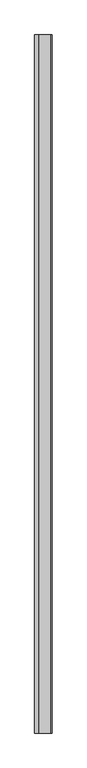
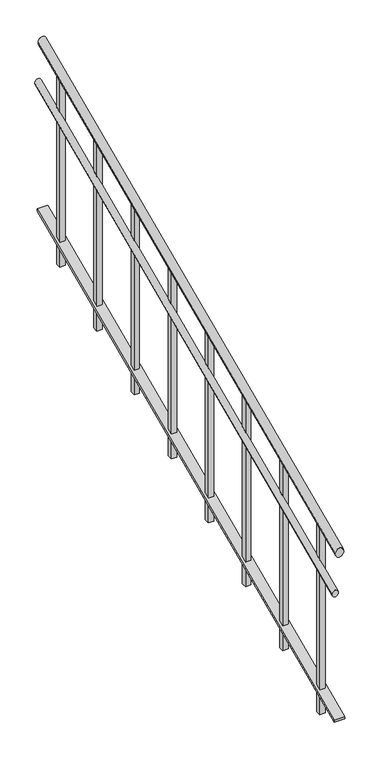
"""IFC4 building model written with IfcOpenShell, lengths in millimetres: railing geometry."""

import ifcopenshell
import ifcopenshell.guid

model = None  # the IFC model being written
_history = None  # IfcOwnerHistory: only IFC2X3 demands one
_inside = {}  # id of a spatial element -> (the spatial element, [elements in it])
_under = {}  # id of a project, library or spatial element -> (it, [spatial elements below it])
_declared = {}  # id of a project -> (the project, [libraries it declares])
_typed = {}  # id of a type object -> (the type object, [elements of that type])
_made_of = {}  # id of a material, layer set ... -> (it, [elements and type objects made of it])


def new_model(schema):
    """Start an empty IFC model of exactly this schema.

    Asked for "IFC4X3", IfcOpenShell would pick the latest addendum, in which some entities
    have other attributes; the version numbers below select the first issue.
    IFC2X3 requires an IfcOwnerHistory on every rooted entity: one is made here for all.
    """
    global model, _history
    if schema == "IFC4X3":
        model = ifcopenshell.file(schema_version=(4, 3, 0, 0))
    else:
        model = ifcopenshell.file(schema=schema)
    _inside.clear()
    _under.clear()
    _declared.clear()
    _typed.clear()
    _made_of.clear()
    _history = None
    if model.schema == "IFC2X3":
        org = make("IfcOrganization", Name="unknown")
        user = make(
            "IfcPersonAndOrganization",
            ThePerson=make("IfcPerson", FamilyName="unknown"),
            TheOrganization=org,
        )
        app = make(
            "IfcApplication",
            ApplicationDeveloper=org,
            Version="unknown",
            ApplicationFullName="unknown",
            ApplicationIdentifier="unknown",
        )
        _history = make(
            "IfcOwnerHistory",
            OwningUser=user,
            OwningApplication=app,
            ChangeAction="ADDED",
            CreationDate=0,
        )
    return model


def make(cls, **values):
    """One entity of the class cls with the attributes given. An attribute that is None is left unset."""
    return model.create_entity(
        cls, **{name: value for name, value in values.items() if value is not None}
    )


def rooted(cls, **values):
    """An entity with a GlobalId (a new one), such as an element, a storey or a relation."""
    return make(cls, GlobalId=ifcopenshell.guid.new(), OwnerHistory=_history, **values)


def si_unit(unit_type, name, prefix=None):
    """IfcSIUnit, for example si_unit("LENGTHUNIT", "METRE", prefix="MILLI")."""
    return make("IfcSIUnit", UnitType=unit_type, Prefix=prefix, Name=name)


def assignment(units):
    """IfcUnitAssignment: the units of a project."""
    return None if units is None else make("IfcUnitAssignment", Units=units)


def point(xyz):
    """IfcCartesianPoint."""
    return None if xyz is None else make("IfcCartesianPoint", Coordinates=xyz)


def direction(xyz):
    """IfcDirection."""
    return None if xyz is None else make("IfcDirection", DirectionRatios=xyz)


def frame(location, z_axis=None, x_axis=None):
    """IfcAxis2Placement3D, a coordinate frame: its origin and axes. An axis left out is left unset."""
    return make(
        "IfcAxis2Placement3D",
        Location=point(location),
        Axis=direction(z_axis),
        RefDirection=direction(x_axis),
    )


def origin():
    """The frame at (0, 0, 0) with its axes left unset."""
    return frame((0.0, 0.0, 0.0))


def place(relative_to, where):
    """IfcLocalPlacement: puts the frame where relative to a parent placement (None: the world)."""
    return make(
        "IfcLocalPlacement", PlacementRelTo=relative_to, RelativePlacement=where
    )


def context(
    kind, dimensions, precision=None, world=None, true_north=None, identifier=None
):
    """IfcGeometricRepresentationContext, for example the 3D "Model" context."""
    return make(
        "IfcGeometricRepresentationContext",
        ContextIdentifier=identifier,
        ContextType=kind,
        CoordinateSpaceDimension=dimensions,
        Precision=precision,
        WorldCoordinateSystem=world,
        TrueNorth=true_north,
    )


def project(units=None, contexts=None):
    """IfcProject with its units and contexts."""
    return rooted(
        "IfcProject",
        Name="project",
        RepresentationContexts=contexts,
        UnitsInContext=assignment(units),
    )


def spatial(cls, under=None, at=None, **own):
    """A site, building, storey or space (cls), placed at a placement, below another one or the project."""
    s = rooted(cls, ObjectPlacement=at, **own)
    if under is not None:
        _under.setdefault(under.id(), (under, []))[1].append(s)
    return s


def polyline(points):
    """IfcPolyline through the points."""
    return make("IfcPolyline", Points=[point(p) for p in points])


def ellipse_curve(where, semi_axis1, semi_axis2):
    """IfcEllipse in the frame where."""
    return make(
        "IfcEllipse", Position=where, SemiAxis1=semi_axis1, SemiAxis2=semi_axis2
    )


def outline(outer, holes=None, kind="AREA"):
    """IfcArbitraryClosedProfileDef: a profile drawn as a closed curve; with holes, ...WithVoids."""
    if holes is None:
        return make("IfcArbitraryClosedProfileDef", ProfileType=kind, OuterCurve=outer)
    return make(
        "IfcArbitraryProfileDefWithVoids",
        ProfileType=kind,
        OuterCurve=outer,
        InnerCurves=holes,
    )


def extrude(swept, where, along, depth):
    """IfcExtrudedAreaSolid: the profile swept, set in the frame where, extruded along a direction by depth."""
    return make(
        "IfcExtrudedAreaSolid",
        SweptArea=swept,
        Position=where,
        ExtrudedDirection=direction(along),
        Depth=depth,
    )


def faces_of(points, faces, orient=None, outer=None):
    """IfcFace entities. A face is a list of loops; a loop is a list of indices into points, from 0.

    orient and outer hold one flag for each loop. By default every Orientation is true, the
    first loop of a face is its IfcFaceOuterBound and the others are IfcFaceBound.
    """
    made = []
    for i, loops in enumerate(faces):
        bounds = []
        for j, loop in enumerate(loops):
            is_outer = j == 0 if outer is None else outer[i][j]
            bounds.append(
                make(
                    "IfcFaceOuterBound" if is_outer else "IfcFaceBound",
                    Bound=make("IfcPolyLoop", Polygon=[points[k] for k in loop]),
                    Orientation=True if orient is None else orient[i][j],
                )
            )
        made.append(make("IfcFace", Bounds=bounds))
    return made


def faceted_brep(points, faces, orient=None, outer=None, voids=None):
    """IfcFacetedBrep: a solid bounded by flat faces; with voids (closed shells), ...WithVoids."""
    shared = [point(p) for p in points]
    hull = make("IfcClosedShell", CfsFaces=faces_of(shared, faces, orient, outer))
    if voids is None:
        return make("IfcFacetedBrep", Outer=hull)
    return make(
        "IfcFacetedBrepWithVoids",
        Outer=hull,
        Voids=[
            make(cls, CfsFaces=faces_of(shared, fs, o, b)) for cls, fs, o, b in voids
        ],
    )


def shape(context_of_items, identifier, shape_type, items):
    """IfcShapeRepresentation: the items that make up one representation, for example the "Body"."""
    return make(
        "IfcShapeRepresentation",
        ContextOfItems=context_of_items,
        RepresentationIdentifier=identifier,
        RepresentationType=shape_type,
        Items=items,
    )


def source(mapping_origin, context_of_items, identifier, shape_type, items):
    """IfcRepresentationMap: a shape defined once, which mapped items show again and again."""
    return make(
        "IfcRepresentationMap",
        MappingOrigin=mapping_origin,
        MappedRepresentation=shape(context_of_items, identifier, shape_type, items),
    )


def transform(
    local_origin,
    x_axis=None,
    y_axis=None,
    z_axis=None,
    scale=None,
    scale2=None,
    scale3=None,
    uniform=True,
):
    """IfcCartesianTransformationOperator3D, or its non-uniform kind. x_axis, y_axis, z_axis: its Axis1, 2, 3."""
    if uniform:
        return make(
            "IfcCartesianTransformationOperator3D",
            Axis1=direction(x_axis),
            Axis2=direction(y_axis),
            LocalOrigin=point(local_origin),
            Scale=scale,
            Axis3=direction(z_axis),
        )
    return make(
        "IfcCartesianTransformationOperator3DnonUniform",
        Axis1=direction(x_axis),
        Axis2=direction(y_axis),
        LocalOrigin=point(local_origin),
        Scale=scale,
        Axis3=direction(z_axis),
        Scale2=scale2,
        Scale3=scale3,
    )


def mapped(mapping_source, mapping_target):
    """IfcMappedItem: shows the shape of a source again, moved by a transform."""
    return make(
        "IfcMappedItem", MappingSource=mapping_source, MappingTarget=mapping_target
    )


def made_of(thing, what):
    """Note that an element or type object is made of a material, layer set ...; save() writes the relation."""
    if what is not None:
        _made_of.setdefault(what.id(), (what, []))[1].append(thing)
    return thing


def element(
    cls,
    number,
    at=None,
    inside=None,
    cuts=None,
    type_object=None,
    material=None,
    context=None,
    identifier="Body",
    shape_type=None,
    held_by="IfcProductDefinitionShape",
    body=None,
    shapes=None,
    **own,
):
    """One element of the class cls, such as IfcWall. Its Tag is "e" and its number.

    at: its placement. inside: the storey or other place that contains it. cuts: it is an
    opening in that element (IfcRelVoidsElement). A single representation is given by context,
    identifier, shape_type and body (its items); several are given by shapes. held_by: the class
    of the entity that holds the representations. save() writes the other relations.
    """
    e = rooted(cls, Tag="e%d" % number, ObjectPlacement=at, **own)
    if body is not None:
        shapes = [shape(context, identifier, shape_type, body)]
    if shapes is not None:
        e.Representation = make(held_by, Representations=shapes)
    if inside is not None:
        _inside.setdefault(inside.id(), (inside, []))[1].append(e)
    if cuts is not None:
        rooted(
            "IfcRelVoidsElement", RelatingBuildingElement=cuts, RelatedOpeningElement=e
        )
    if type_object is not None:
        _typed.setdefault(type_object.id(), (type_object, []))[1].append(e)
    return made_of(e, material)


def aggregate(whole, parts):
    """IfcRelAggregates: a whole, such as a stair, and the parts it consists of."""
    return rooted("IfcRelAggregates", RelatingObject=whole, RelatedObjects=parts)


def save(model, path):
    """Write the relations noted so far, then the file.

    IfcRelAggregates (storeys below a building ...), IfcRelContainedInSpatialStructure (elements
    in a storey), IfcRelDefinesByType, IfcRelAssociatesMaterial and IfcRelDeclares: one each for
    every whole, place, type object, material and project.
    """
    for whole, parts in _under.values():
        aggregate(whole, parts)
    for where, things in _inside.values():
        rooted(
            "IfcRelContainedInSpatialStructure",
            RelatedElements=things,
            RelatingStructure=where,
        )
    for kind, things in _typed.values():
        rooted("IfcRelDefinesByType", RelatedObjects=things, RelatingType=kind)
    for what, things in _made_of.values():
        rooted("IfcRelAssociatesMaterial", RelatedObjects=things, RelatingMaterial=what)
    for by, libraries in _declared.values():
        rooted("IfcRelDeclares", RelatingContext=by, RelatedDefinitions=libraries)
    model.write(path)


def plane_surface(at):
    """IfcPlane: the flat surface through the origin of the frame at, square to its z axis."""
    return make("IfcPlane", Position=at)


def cylinder_surface(at, radius):
    """IfcCylindricalSurface: all points at the distance radius from the z axis of the frame at."""
    return make("IfcCylindricalSurface", Position=at, Radius=radius)


def advanced_brep(points, edges, surfaces, faces):
    """IfcAdvancedBrep: a solid bounded by faces that lie on surfaces and meet in shared edges.

    An edge is (start, end): straight between two places in points (the first is 0);
    or (start, end, curve); or (start, end, curve, False) where it runs against its curve.
    A face is (place in surfaces, loops), or (place, loops, False) where it looks against
    its surface's normal. A loop lists edges by number (the first is 1), with a minus sign
    where the edge is run from its end to its start. The first loop is the outer one.
    """
    corners = [point(p) for p in points]
    vertices = [make("IfcVertexPoint", VertexGeometry=c) for c in corners]
    made = []
    for start, end, *more in edges:
        made.append(
            make(
                "IfcEdgeCurve",
                EdgeStart=vertices[start],
                EdgeEnd=vertices[end],
                EdgeGeometry=more[0] if more else make("IfcPolyline", Points=[corners[start], corners[end]]),
                SameSense=more[1] if len(more) > 1 else True,
            )
        )
    hull = []
    for where, loops, *sense in faces:
        bounds = []
        for j, loop in enumerate(loops):
            ring = [make("IfcOrientedEdge", EdgeElement=made[abs(k) - 1], Orientation=k > 0) for k in loop]
            bounds.append(
                make(
                    "IfcFaceOuterBound" if j == 0 else "IfcFaceBound",
                    Bound=make("IfcEdgeLoop", EdgeList=ring),
                    Orientation=True,
                )
            )
        hull.append(make("IfcAdvancedFace", Bounds=bounds, FaceSurface=surfaces[where], SameSense=sense[0] if sense else True))
    return make("IfcAdvancedBrep", Outer=make("IfcClosedShell", CfsFaces=hull))


def railing_1cae59c7(model_context):
    return source(origin(), model_context, "Body", "SolidModel", [
        advanced_brep(
        [(2355.4112841, -20906.8920513, -188.5530173), (2315.4112841, -20906.8920513, -188.5530173), (2355.4112841, -18506.8920513, 878.1136493), (2315.4112841, -18506.8920513, 878.1136493)],
        [
            (0, 1, ellipse_curve(frame((2335.4112841, -20906.8920513, -188.5530173), z_axis=(0.0, -1.0, 0.0), x_axis=(0.0, 0.0, -0.9999999999999999)), 21.8863507, 20.0)),
            (1, 0, ellipse_curve(frame((2335.4112841, -20906.8920513, -188.5530173), z_axis=(0.0, -1.0, 0.0), x_axis=(0.0, 0.0, -0.9999999999999999)), 21.8863507, 20.0)),
            (2, 3, ellipse_curve(frame((2335.4112841, -18506.8920513, 878.1136493), z_axis=(0.0, 1.0, 0.0), x_axis=(0.0, 0.0, -0.9999999999999999)), 21.8863507, 20.0)),
            (3, 2, ellipse_curve(frame((2335.4112841, -18506.8920513, 878.1136493), z_axis=(0.0, 1.0, 0.0), x_axis=(0.0, 0.0, -0.9999999999999999)), 21.8863507, 20.0)),
            (0, 2),
            (3, 1),
        ],
        [
            plane_surface(frame((2335.4112841, -20906.8920513, -166.6666667), z_axis=(0.0, -1.0, 0.0), x_axis=(0.0, 0.0, 1.0))),
            plane_surface(frame((2335.4112841, -18506.8920513, 900.0), z_axis=(0.0, 1.0, 0.0), x_axis=(0.0, 0.0, 1.0))),
            cylinder_surface(frame((2335.4112841, -20898.769282, -184.9428976), z_axis=(0.0, -0.9138115486202569, -0.40613846605344806), x_axis=(-1.0, 0.0, 0.0)), 20.0),
        ],
        [
            (0, [[1, 2]]),
            (1, [[3, 4]]),
            (2, [[-1, 5, -4, 6]]),
            (2, [[-2, -6, -3, -5]]),
        ],
    ),
        advanced_brep(
        [(2330.4112841, -20906.8920513, -383.0814297), (2300.4112841, -20906.8920513, -383.0814297), (2330.4112841, -18506.8920513, 683.585237), (2300.4112841, -18506.8920513, 683.585237)],
        [
            (0, 1, ellipse_curve(frame((2315.4112841, -20906.8920513, -383.0814297), z_axis=(0.0, -1.0, 0.0), x_axis=(0.0, 0.0, -0.9999999999999999)), 16.414763, 15.0)),
            (1, 0, ellipse_curve(frame((2315.4112841, -20906.8920513, -383.0814297), z_axis=(0.0, -1.0, 0.0), x_axis=(0.0, 0.0, -0.9999999999999999)), 16.414763, 15.0)),
            (2, 3, ellipse_curve(frame((2315.4112841, -18506.8920513, 683.585237), z_axis=(0.0, 1.0, 0.0), x_axis=(0.0, 0.0, -0.9999999999999999)), 16.414763, 15.0)),
            (3, 2, ellipse_curve(frame((2315.4112841, -18506.8920513, 683.585237), z_axis=(0.0, 1.0, 0.0), x_axis=(0.0, 0.0, -0.9999999999999999)), 16.414763, 15.0)),
            (0, 2),
            (3, 1),
        ],
        [
            plane_surface(frame((2315.4112841, -20906.8920513, -366.6666667), z_axis=(0.0, -1.0, 0.0), x_axis=(0.0, 0.0, 1.0))),
            plane_surface(frame((2315.4112841, -18506.8920513, 700.0), z_axis=(0.0, 1.0, 0.0), x_axis=(0.0, 0.0, 1.0))),
            cylinder_surface(frame((2315.4112841, -20900.7999744, -380.3738399), z_axis=(0.0, -0.9138115486202569, -0.40613846605344806), x_axis=(-1.0, 0.0, 0.0)), 15.0),
        ],
        [
            (0, [[1, 2]]),
            (1, [[3, 4]]),
            (2, [[-1, 5, -4, 6]]),
            (2, [[-2, -6, -3, -5]]),
        ],
    ),
        faceted_brep([(2310.4112841, -20906.8920513, -1006.6666667), (2310.4112841, -20906.8920513, -1017.609842), (2360.4112841, -20906.8920513, -1017.609842), (2360.4112841, -20906.8920513, -1006.6666667), (2310.4112841, -18506.8920513, 60.0), (2360.4112841, -18506.8920513, 60.0), (2360.4112841, -18506.8920513, 49.0568247), (2310.4112841, -18506.8920513, 49.0568247)], [[[0, 1, 2, 3]], [[4, 5, 6, 7]], [[1, 0, 4, 7]], [[2, 1, 7, 6]], [[3, 2, 6, 5]], [[0, 3, 5, 4]]]),
        extrude(outline(polyline([(-18669.3920513, 784.0050764), (-18644.3920513, 795.1161875), (-18644.3920513, -133.3333333), (-18669.3920513, -133.3333333), (-18669.3920513, 784.0050764)])), frame((2322.9112841, 0.0, 0.0), z_axis=(1.0, 0.0, 0.0), x_axis=(0.0, 1.0, 0.0)), (0.0, 0.0, 1.0), 25.0),
        extrude(outline(polyline([(-18969.3920513, 650.6717431), (-18944.3920513, 661.7828542), (-18944.3920513, -266.6666667), (-18969.3920513, -266.6666667), (-18969.3920513, 650.6717431)])), frame((2322.9112841, 0.0, 0.0), z_axis=(1.0, 0.0, 0.0), x_axis=(0.0, 1.0, 0.0)), (0.0, 0.0, 1.0), 25.0),
        extrude(outline(polyline([(-19269.3920513, 517.3384098), (-19244.3920513, 528.4495209), (-19244.3920513, -400.0), (-19269.3920513, -400.0), (-19269.3920513, 517.3384098)])), frame((2322.9112841, 0.0, 0.0), z_axis=(1.0, 0.0, 0.0), x_axis=(0.0, 1.0, 0.0)), (0.0, 0.0, 1.0), 25.0),
        extrude(outline(polyline([(-19569.3920513, 384.0050764), (-19544.3920513, 395.1161875), (-19544.3920513, -533.3333333), (-19569.3920513, -533.3333333), (-19569.3920513, 384.0050764)])), frame((2322.9112841, 0.0, 0.0), z_axis=(1.0, 0.0, 0.0), x_axis=(0.0, 1.0, 0.0)), (0.0, 0.0, 1.0), 25.0),
        extrude(outline(polyline([(-19869.3920513, 250.6717431), (-19844.3920513, 261.7828542), (-19844.3920513, -666.6666667), (-19869.3920513, -666.6666667), (-19869.3920513, 250.6717431)])), frame((2322.9112841, 0.0, 0.0), z_axis=(1.0, 0.0, 0.0), x_axis=(0.0, 1.0, 0.0)), (0.0, 0.0, 1.0), 25.0),
        extrude(outline(polyline([(-20169.3920513, 117.3384098), (-20144.3920513, 128.4495209), (-20144.3920513, -800.0), (-20169.3920513, -800.0), (-20169.3920513, 117.3384098)])), frame((2322.9112841, 0.0, 0.0), z_axis=(1.0, 0.0, 0.0), x_axis=(0.0, 1.0, 0.0)), (0.0, 0.0, 1.0), 25.0),
        extrude(outline(polyline([(-20469.3920513, -15.9949236), (-20444.3920513, -4.8838125), (-20444.3920513, -933.3333333), (-20469.3920513, -933.3333333), (-20469.3920513, -15.9949236)])), frame((2322.9112841, 0.0, 0.0), z_axis=(1.0, 0.0, 0.0), x_axis=(0.0, 1.0, 0.0)), (0.0, 0.0, 1.0), 25.0),
        extrude(outline(polyline([(-20769.3920513, -149.3282569), (-20744.3920513, -138.2171458), (-20744.3920513, -1066.6666667), (-20769.3920513, -1066.6666667), (-20769.3920513, -149.3282569)])), frame((2322.9112841, 0.0, 0.0), z_axis=(1.0, 0.0, 0.0), x_axis=(0.0, 1.0, 0.0)), (0.0, 0.0, 1.0), 25.0),
    ])


if __name__ == "__main__":
    model = new_model("IFC4")
    model_context = context("Model", 3, world=origin())
    ifc_project = project(units=[si_unit("LENGTHUNIT", "METRE", prefix="MILLI")], contexts=[model_context])
    site = spatial("IfcSite", under=ifc_project)
    building = spatial("IfcBuilding", under=site)
    placement = place(None, origin())
    railing_shape = railing_1cae59c7(model_context)
    element("IfcRailing", 1, at=placement, inside=building, context=model_context, shape_type="MappedRepresentation", body=[
        mapped(railing_shape, transform((0.0, 0.0, 0.0), x_axis=(1.0, 0.0, 0.0), y_axis=(0.0, 1.0, 0.0), z_axis=(0.0, 0.0, 1.0))),
    ])
    save(model, "model.ifc")
